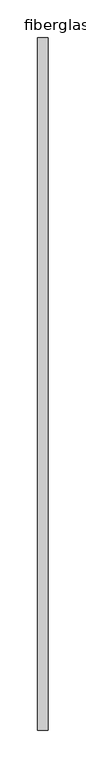
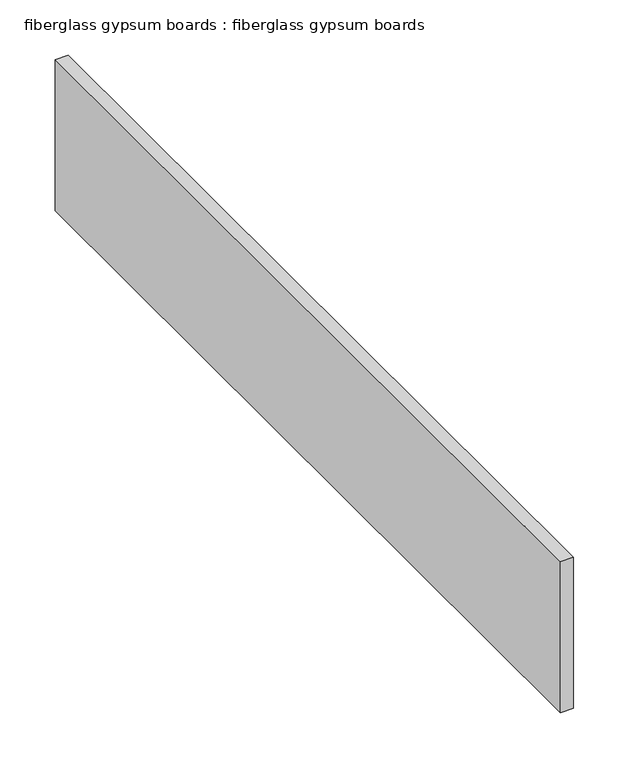
"""IFC4 building model written with IfcOpenShell, lengths in millimetres: proxy geometry, fiberglass gypsum boards : fiberglass gypsum boards."""

from ifc_helpers import new_model, si_unit, frame, origin, place, context, project, spatial, polyline, outline, extrude, source, transform, mapped, element, save


def fiberglass_gypsum_boards_fiberglass_gypsum_boards_effccd27(model_context):
    return source(origin(), model_context, "Body", "SweptSolid", [
        extrude(outline(polyline([(37097.2778373, -24281.9529946), (37110.9497123, -24281.9529946), (37110.9497123, -25196.3529946), (37097.2778373, -25196.3529946), (37097.2778373, -24281.9529946)])), frame((0.0, 0.0, 2581.4093202), z_axis=(0.0, 0.0, 1.0), x_axis=(1.0, 0.0, 0.0)), (0.0, 0.0, 1.0), 166.8132324),
    ])


if __name__ == "__main__":
    model = new_model("IFC4")
    model_context = context("Model", 3, world=origin())
    ifc_project = project(units=[si_unit("LENGTHUNIT", "METRE", prefix="MILLI")], contexts=[model_context])
    site = spatial("IfcSite", under=ifc_project)
    building = spatial("IfcBuilding", under=site)
    placement = place(None, origin())
    fiberglass_gypsum_boards_fiberglass_gypsum_boards_shape = fiberglass_gypsum_boards_fiberglass_gypsum_boards_effccd27(model_context)
    element("IfcBuildingElementProxy", 1, Name="fiberglass gypsum boards : fiberglass gypsum boards", ObjectType="fiberglass gypsum boards : fiberglass gypsum boards", at=placement, inside=building, context=model_context, shape_type="MappedRepresentation", body=[
        mapped(fiberglass_gypsum_boards_fiberglass_gypsum_boards_shape, transform((0.0, 0.0, 0.0), x_axis=(1.0, 0.0, 0.0), y_axis=(0.0, 1.0, 0.0), z_axis=(0.0, 0.0, 1.0))),
    ])
    save(model, "model.ifc")
